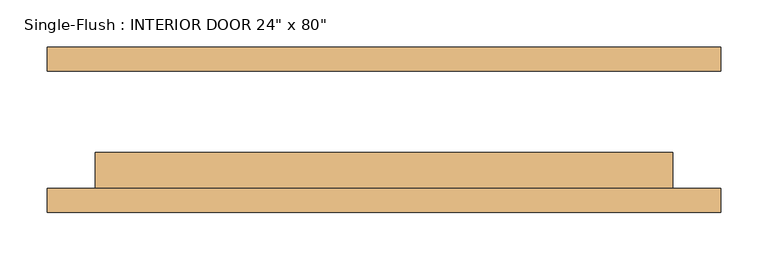
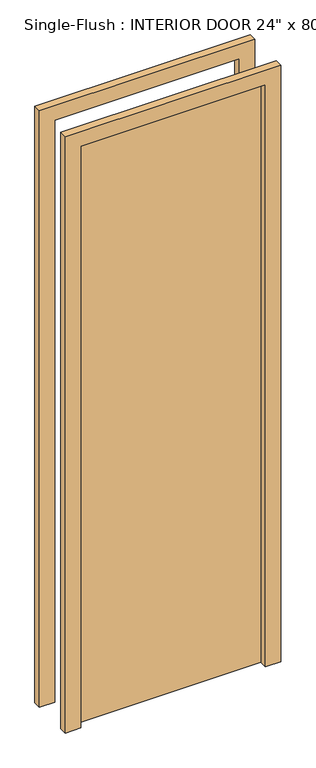
"""IFC4 building model written with IfcOpenShell, lengths in millimetres: door geometry."""

from ifc_helpers import new_model, si_unit, frame, origin, origin_with_axes, place, context, project, spatial, polyline, outline, extrude, source, transform, mapped, element, save


def door_df0b19c3(model_context):
    return source(origin(), model_context, "Body", "SweptSolid", [
        extrude(outline(polyline([(304.8, -23.8125), (304.8, -61.9125), (-304.8, -61.9125), (-304.8, -23.8125), (304.8, -23.8125)])), origin_with_axes(), (0.0, 0.0, 1.0), 2032.0),
        extrude(outline(polyline([(2082.8, -355.6), (0.0, -355.6), (0.0, -304.8), (2032.0, -304.8), (2032.0, 304.8), (0.0, 304.8), (0.0, 355.6), (2082.8, 355.6), (2082.8, -355.6)])), frame((0.0, -87.3125, 0.0), z_axis=(0.0, 1.0, 0.0), x_axis=(0.0, 0.0, 1.0)), (0.0, 0.0, 1.0), 25.4),
        extrude(outline(polyline([(2082.8, 355.6), (2082.8, -355.6), (0.0, -355.6), (0.0, -304.8), (2032.0, -304.8), (2032.0, 304.8), (0.0, 304.8), (0.0, 355.6), (2082.8, 355.6)])), frame((0.0, 61.9125, 0.0), z_axis=(0.0, 1.0, 0.0), x_axis=(0.0, 0.0, 1.0)), (0.0, 0.0, 1.0), 25.4),
    ])


if __name__ == "__main__":
    model = new_model("IFC4")
    model_context = context("Model", 3, world=origin())
    ifc_project = project(units=[si_unit("LENGTHUNIT", "METRE", prefix="MILLI")], contexts=[model_context])
    site = spatial("IfcSite", under=ifc_project)
    building = spatial("IfcBuilding", under=site)
    placement = place(None, origin())
    door_shape = door_df0b19c3(model_context)
    element("IfcDoor", 1, ObjectType="Single-Flush : INTERIOR DOOR 24\" x 80\"", at=placement, inside=building, context=model_context, shape_type="MappedRepresentation", body=[
        mapped(door_shape, transform((0.0, 0.0, 0.0), x_axis=(1.0, 0.0, 0.0), y_axis=(0.0, 1.0, 0.0), z_axis=(0.0, 0.0, 1.0))),
    ])
    save(model, "model.ifc")
